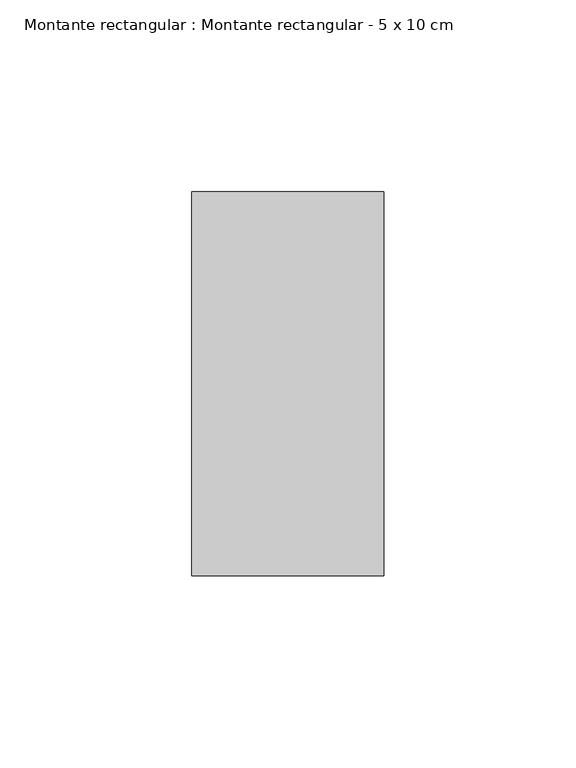
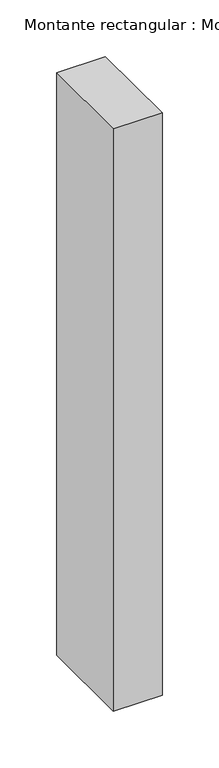
"""IFC4 building model written with IfcOpenShell, lengths in millimetres: member geometry, Montante rectangular : Montante rectangular - 5 x 10 cm."""

from ifc_helpers import new_model, si_unit, frame, origin, place, context, project, spatial, polyline, outline, extrude, source, transform, mapped, element, save


def montante_rectangular_montante_rectangular_5_x_10_cm_e81e281d(model_context):
    return source(origin(), model_context, "Body", "SweptSolid", [
        extrude(outline(polyline([(0.0, 50.0), (0.0, -50.0), (-50.0, -50.0), (-50.0, 50.0), (0.0, 50.0)])), frame((0.0, 0.0, -629.0), z_axis=(0.0, 0.0, 1.0), x_axis=(1.0, 0.0, 0.0)), (0.0, 0.0, 1.0), 629.0),
    ])


if __name__ == "__main__":
    model = new_model("IFC4")
    model_context = context("Model", 3, world=origin())
    ifc_project = project(units=[si_unit("LENGTHUNIT", "METRE", prefix="MILLI")], contexts=[model_context])
    site = spatial("IfcSite", under=ifc_project)
    building = spatial("IfcBuilding", under=site)
    placement = place(None, origin())
    montante_rectangular_montante_rectangular_5_x_10_cm_shape = montante_rectangular_montante_rectangular_5_x_10_cm_e81e281d(model_context)
    element("IfcMember", 1, ObjectType="Montante rectangular : Montante rectangular - 5 x 10 cm", at=placement, inside=building, context=model_context, shape_type="MappedRepresentation", body=[
        mapped(montante_rectangular_montante_rectangular_5_x_10_cm_shape, transform((0.0, 0.0, 0.0), x_axis=(1.0, 0.0, 0.0), y_axis=(0.0, 1.0, 0.0), z_axis=(0.0, 0.0, 1.0))),
    ])
    save(model, "model.ifc")
